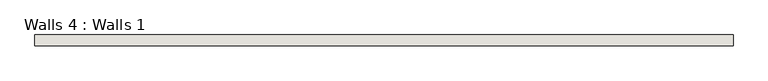
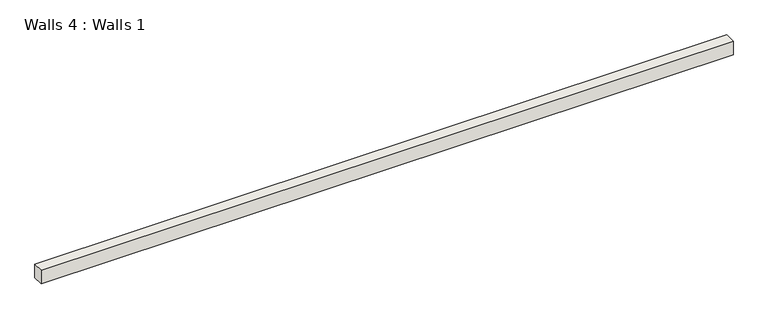
"""IFC4 building model written with IfcOpenShell, lengths in millimetres: wall geometry, Walls 4 : Walls 1."""

import ifcopenshell
import ifcopenshell.guid

model = None  # the IFC model being written
_history = None  # IfcOwnerHistory: only IFC2X3 demands one
_inside = {}  # id of a spatial element -> (the spatial element, [elements in it])
_under = {}  # id of a project, library or spatial element -> (it, [spatial elements below it])
_declared = {}  # id of a project -> (the project, [libraries it declares])
_typed = {}  # id of a type object -> (the type object, [elements of that type])
_made_of = {}  # id of a material, layer set ... -> (it, [elements and type objects made of it])


def new_model(schema):
    """Start an empty IFC model of exactly this schema.

    Asked for "IFC4X3", IfcOpenShell would pick the latest addendum, in which some entities
    have other attributes; the version numbers below select the first issue.
    IFC2X3 requires an IfcOwnerHistory on every rooted entity: one is made here for all.
    """
    global model, _history
    if schema == "IFC4X3":
        model = ifcopenshell.file(schema_version=(4, 3, 0, 0))
    else:
        model = ifcopenshell.file(schema=schema)
    _inside.clear()
    _under.clear()
    _declared.clear()
    _typed.clear()
    _made_of.clear()
    _history = None
    if model.schema == "IFC2X3":
        org = make("IfcOrganization", Name="unknown")
        user = make(
            "IfcPersonAndOrganization",
            ThePerson=make("IfcPerson", FamilyName="unknown"),
            TheOrganization=org,
        )
        app = make(
            "IfcApplication",
            ApplicationDeveloper=org,
            Version="unknown",
            ApplicationFullName="unknown",
            ApplicationIdentifier="unknown",
        )
        _history = make(
            "IfcOwnerHistory",
            OwningUser=user,
            OwningApplication=app,
            ChangeAction="ADDED",
            CreationDate=0,
        )
    return model


def make(cls, **values):
    """One entity of the class cls with the attributes given. An attribute that is None is left unset."""
    return model.create_entity(
        cls, **{name: value for name, value in values.items() if value is not None}
    )


def rooted(cls, **values):
    """An entity with a GlobalId (a new one), such as an element, a storey or a relation."""
    return make(cls, GlobalId=ifcopenshell.guid.new(), OwnerHistory=_history, **values)


def si_unit(unit_type, name, prefix=None):
    """IfcSIUnit, for example si_unit("LENGTHUNIT", "METRE", prefix="MILLI")."""
    return make("IfcSIUnit", UnitType=unit_type, Prefix=prefix, Name=name)


def assignment(units):
    """IfcUnitAssignment: the units of a project."""
    return None if units is None else make("IfcUnitAssignment", Units=units)


def point(xyz):
    """IfcCartesianPoint."""
    return None if xyz is None else make("IfcCartesianPoint", Coordinates=xyz)


def direction(xyz):
    """IfcDirection."""
    return None if xyz is None else make("IfcDirection", DirectionRatios=xyz)


def frame(location, z_axis=None, x_axis=None):
    """IfcAxis2Placement3D, a coordinate frame: its origin and axes. An axis left out is left unset."""
    return make(
        "IfcAxis2Placement3D",
        Location=point(location),
        Axis=direction(z_axis),
        RefDirection=direction(x_axis),
    )


def origin():
    """The frame at (0, 0, 0) with its axes left unset."""
    return frame((0.0, 0.0, 0.0))


def place(relative_to, where):
    """IfcLocalPlacement: puts the frame where relative to a parent placement (None: the world)."""
    return make(
        "IfcLocalPlacement", PlacementRelTo=relative_to, RelativePlacement=where
    )


def context(
    kind, dimensions, precision=None, world=None, true_north=None, identifier=None
):
    """IfcGeometricRepresentationContext, for example the 3D "Model" context."""
    return make(
        "IfcGeometricRepresentationContext",
        ContextIdentifier=identifier,
        ContextType=kind,
        CoordinateSpaceDimension=dimensions,
        Precision=precision,
        WorldCoordinateSystem=world,
        TrueNorth=true_north,
    )


def project(units=None, contexts=None):
    """IfcProject with its units and contexts."""
    return rooted(
        "IfcProject",
        Name="project",
        RepresentationContexts=contexts,
        UnitsInContext=assignment(units),
    )


def spatial(cls, under=None, at=None, **own):
    """A site, building, storey or space (cls), placed at a placement, below another one or the project."""
    s = rooted(cls, ObjectPlacement=at, **own)
    if under is not None:
        _under.setdefault(under.id(), (under, []))[1].append(s)
    return s


def polyline(points):
    """IfcPolyline through the points."""
    return make("IfcPolyline", Points=[point(p) for p in points])


def outline(outer, holes=None, kind="AREA"):
    """IfcArbitraryClosedProfileDef: a profile drawn as a closed curve; with holes, ...WithVoids."""
    if holes is None:
        return make("IfcArbitraryClosedProfileDef", ProfileType=kind, OuterCurve=outer)
    return make(
        "IfcArbitraryProfileDefWithVoids",
        ProfileType=kind,
        OuterCurve=outer,
        InnerCurves=holes,
    )


def extrude(swept, where, along, depth):
    """IfcExtrudedAreaSolid: the profile swept, set in the frame where, extruded along a direction by depth."""
    return make(
        "IfcExtrudedAreaSolid",
        SweptArea=swept,
        Position=where,
        ExtrudedDirection=direction(along),
        Depth=depth,
    )


def shape(context_of_items, identifier, shape_type, items):
    """IfcShapeRepresentation: the items that make up one representation, for example the "Body"."""
    return make(
        "IfcShapeRepresentation",
        ContextOfItems=context_of_items,
        RepresentationIdentifier=identifier,
        RepresentationType=shape_type,
        Items=items,
    )


def source(mapping_origin, context_of_items, identifier, shape_type, items):
    """IfcRepresentationMap: a shape defined once, which mapped items show again and again."""
    return make(
        "IfcRepresentationMap",
        MappingOrigin=mapping_origin,
        MappedRepresentation=shape(context_of_items, identifier, shape_type, items),
    )


def transform(
    local_origin,
    x_axis=None,
    y_axis=None,
    z_axis=None,
    scale=None,
    scale2=None,
    scale3=None,
    uniform=True,
):
    """IfcCartesianTransformationOperator3D, or its non-uniform kind. x_axis, y_axis, z_axis: its Axis1, 2, 3."""
    if uniform:
        return make(
            "IfcCartesianTransformationOperator3D",
            Axis1=direction(x_axis),
            Axis2=direction(y_axis),
            LocalOrigin=point(local_origin),
            Scale=scale,
            Axis3=direction(z_axis),
        )
    return make(
        "IfcCartesianTransformationOperator3DnonUniform",
        Axis1=direction(x_axis),
        Axis2=direction(y_axis),
        LocalOrigin=point(local_origin),
        Scale=scale,
        Axis3=direction(z_axis),
        Scale2=scale2,
        Scale3=scale3,
    )


def mapped(mapping_source, mapping_target):
    """IfcMappedItem: shows the shape of a source again, moved by a transform."""
    return make(
        "IfcMappedItem", MappingSource=mapping_source, MappingTarget=mapping_target
    )


def made_of(thing, what):
    """Note that an element or type object is made of a material, layer set ...; save() writes the relation."""
    if what is not None:
        _made_of.setdefault(what.id(), (what, []))[1].append(thing)
    return thing


def element(
    cls,
    number,
    at=None,
    inside=None,
    cuts=None,
    type_object=None,
    material=None,
    context=None,
    identifier="Body",
    shape_type=None,
    held_by="IfcProductDefinitionShape",
    body=None,
    shapes=None,
    **own,
):
    """One element of the class cls, such as IfcWall. Its Tag is "e" and its number.

    at: its placement. inside: the storey or other place that contains it. cuts: it is an
    opening in that element (IfcRelVoidsElement). A single representation is given by context,
    identifier, shape_type and body (its items); several are given by shapes. held_by: the class
    of the entity that holds the representations. save() writes the other relations.
    """
    e = rooted(cls, Tag="e%d" % number, ObjectPlacement=at, **own)
    if body is not None:
        shapes = [shape(context, identifier, shape_type, body)]
    if shapes is not None:
        e.Representation = make(held_by, Representations=shapes)
    if inside is not None:
        _inside.setdefault(inside.id(), (inside, []))[1].append(e)
    if cuts is not None:
        rooted(
            "IfcRelVoidsElement", RelatingBuildingElement=cuts, RelatedOpeningElement=e
        )
    if type_object is not None:
        _typed.setdefault(type_object.id(), (type_object, []))[1].append(e)
    return made_of(e, material)


def aggregate(whole, parts):
    """IfcRelAggregates: a whole, such as a stair, and the parts it consists of."""
    return rooted("IfcRelAggregates", RelatingObject=whole, RelatedObjects=parts)


def save(model, path):
    """Write the relations noted so far, then the file.

    IfcRelAggregates (storeys below a building ...), IfcRelContainedInSpatialStructure (elements
    in a storey), IfcRelDefinesByType, IfcRelAssociatesMaterial and IfcRelDeclares: one each for
    every whole, place, type object, material and project.
    """
    for whole, parts in _under.values():
        aggregate(whole, parts)
    for where, things in _inside.values():
        rooted(
            "IfcRelContainedInSpatialStructure",
            RelatedElements=things,
            RelatingStructure=where,
        )
    for kind, things in _typed.values():
        rooted("IfcRelDefinesByType", RelatedObjects=things, RelatingType=kind)
    for what, things in _made_of.values():
        rooted("IfcRelAssociatesMaterial", RelatedObjects=things, RelatingMaterial=what)
    for by, libraries in _declared.values():
        rooted("IfcRelDeclares", RelatingContext=by, RelatedDefinitions=libraries)
    model.write(path)


def walls_4_walls_1_c9ea064d(model_context):
    return source(origin(), model_context, "Body", "SweptSolid", [
        extrude(outline(polyline([(56.4487811, 2113.698929), (56.4487811, 2151.798929), (2520.2487811, 2151.798929), (2520.2487811, 2113.698929), (56.4487811, 2113.698929)])), frame((0.0, 0.0, -25.3431034), z_axis=(0.0, 0.0, 1.0), x_axis=(1.0, 0.0, 0.0)), (0.0, 0.0, 1.0), 50.8),
    ])


if __name__ == "__main__":
    model = new_model("IFC4")
    model_context = context("Model", 3, world=origin())
    ifc_project = project(units=[si_unit("LENGTHUNIT", "METRE", prefix="MILLI")], contexts=[model_context])
    site = spatial("IfcSite", under=ifc_project)
    building = spatial("IfcBuilding", under=site)
    placement = place(None, origin())
    walls_4_walls_1_shape = walls_4_walls_1_c9ea064d(model_context)
    element("IfcWall", 1, ObjectType="Walls 4 : Walls 1", at=placement, inside=building, context=model_context, shape_type="MappedRepresentation", body=[
        mapped(walls_4_walls_1_shape, transform((0.0, 0.0, 0.0), x_axis=(1.0, 0.0, 0.0), y_axis=(0.0, 1.0, 0.0), z_axis=(0.0, 0.0, 1.0))),
    ])
    save(model, "model.ifc")
